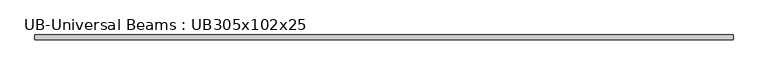
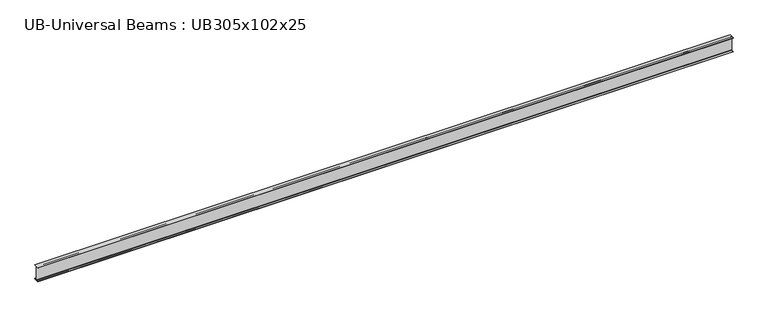
"""IFC4 building model written with IfcOpenShell, lengths in millimetres: beam geometry, UB-Universal Beams : UB305x102x25."""

from ifc_helpers import new_model, si_unit, point, frame, frame_2d, origin, place, context, project, spatial, polyline, circle_curve, trimmed, segment, composite_curve, outline, extrude, source, transform, mapped, element, save


def ub_universal_beams_ub305x102x25_26922c9a(model_context):
    return source(origin(), model_context, "Body", "SweptSolid", [
        extrude(outline(composite_curve([segment(polyline([(50.8, -145.55), (50.8, -152.55), (-50.8, -152.55), (-50.8, -145.55), (-10.5, -145.55)]), True, "CONTINUOUS"), segment(trimmed(circle_curve(frame_2d((-10.5, -137.95)), 7.6), [point((-10.5, -145.55))], [point((-2.9, -137.95))], True, "CARTESIAN"), True, "CONTINUOUS"), segment(polyline([(-2.9, -137.95), (-2.9, 137.95)]), True, "CONTINUOUS"), segment(trimmed(circle_curve(frame_2d((-10.5, 137.95)), 7.6), [point((-2.9, 137.95))], [point((-10.5, 145.55))], True, "CARTESIAN"), True, "CONTINUOUS"), segment(polyline([(-10.5, 145.55), (-50.8, 145.55), (-50.8, 152.55), (50.8, 152.55), (50.8, 145.55), (10.5, 145.55)]), True, "CONTINUOUS"), segment(trimmed(circle_curve(frame_2d((10.5, 137.95)), 7.6), [point((10.5, 145.55))], [point((2.9, 137.95))], True, "CARTESIAN"), True, "CONTINUOUS"), segment(polyline([(2.9, 137.95), (2.9, -137.95)]), True, "CONTINUOUS"), segment(trimmed(circle_curve(frame_2d((10.5, -137.95)), 7.6), [point((2.9, -137.95))], [point((10.5, -145.55))], True, "CARTESIAN"), True, "CONTINUOUS"), segment(polyline([(10.5, -145.55), (50.8, -145.55)]), True, "CONTINUOUS")], self_intersect=False)), frame((-7046.45, 0.0, 0.0), z_axis=(1.0, 0.0, 0.0), x_axis=(0.0, 1.0, 0.0)), (0.0, 0.0, 1.0), 14196.5),
    ])


if __name__ == "__main__":
    model = new_model("IFC4")
    model_context = context("Model", 3, world=origin())
    ifc_project = project(units=[si_unit("LENGTHUNIT", "METRE", prefix="MILLI")], contexts=[model_context])
    site = spatial("IfcSite", under=ifc_project)
    building = spatial("IfcBuilding", under=site)
    placement = place(None, origin())
    ub_universal_beams_ub305x102x25_shape = ub_universal_beams_ub305x102x25_26922c9a(model_context)
    element("IfcBeam", 1, ObjectType="UB-Universal Beams : UB305x102x25", at=placement, inside=building, context=model_context, shape_type="MappedRepresentation", body=[
        mapped(ub_universal_beams_ub305x102x25_shape, transform((0.0, 0.0, 0.0), x_axis=(1.0, 0.0, 0.0), y_axis=(0.0, 1.0, 0.0), z_axis=(0.0, 0.0, 1.0))),
    ])
    save(model, "model.ifc")
